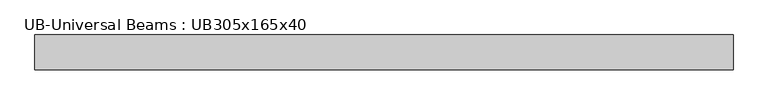
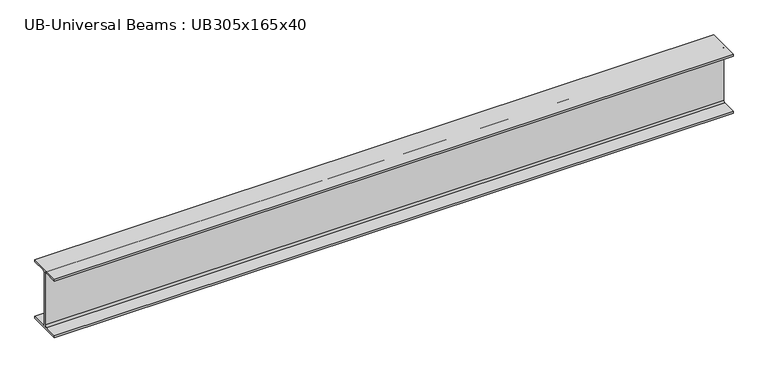
"""IFC4 building model written with IfcOpenShell, lengths in millimetres: beam geometry, UB-Universal Beams : UB305x165x40."""

from ifc_helpers import new_model, si_unit, point, frame, frame_2d, origin, place, context, project, spatial, polyline, circle_curve, trimmed, segment, composite_curve, outline, extrude, source, transform, mapped, element, save


def ub_universal_beams_ub305x165x40_9a44f3a3(model_context):
    return source(origin(), model_context, "Body", "SweptSolid", [
        extrude(outline(composite_curve([segment(polyline([(82.5, -141.5), (82.5, -151.7), (-82.5, -151.7), (-82.5, -141.5), (-11.9, -141.5)]), True, "CONTINUOUS"), segment(trimmed(circle_curve(frame_2d((-11.9, -132.6)), 8.9), [point((-11.9, -141.5))], [point((-3.0, -132.6))], True, "CARTESIAN"), True, "CONTINUOUS"), segment(polyline([(-3.0, -132.6), (-3.0, 132.6)]), True, "CONTINUOUS"), segment(trimmed(circle_curve(frame_2d((-11.9, 132.6)), 8.9), [point((-3.0, 132.6))], [point((-11.9, 141.5))], True, "CARTESIAN"), True, "CONTINUOUS"), segment(polyline([(-11.9, 141.5), (-82.5, 141.5), (-82.5, 151.7), (82.5, 151.7), (82.5, 141.5), (11.9, 141.5)]), True, "CONTINUOUS"), segment(trimmed(circle_curve(frame_2d((11.9, 132.6)), 8.9), [point((11.9, 141.5))], [point((3.0, 132.6))], True, "CARTESIAN"), True, "CONTINUOUS"), segment(polyline([(3.0, 132.6), (3.0, -132.6)]), True, "CONTINUOUS"), segment(trimmed(circle_curve(frame_2d((11.9, -132.6)), 8.9), [point((3.0, -132.6))], [point((11.9, -141.5))], True, "CARTESIAN"), True, "CONTINUOUS"), segment(polyline([(11.9, -141.5), (82.5, -141.5)]), True, "CONTINUOUS")], self_intersect=False)), frame((-1657.5, 0.0, 0.0), z_axis=(1.0, 0.0, 0.0), x_axis=(0.0, 1.0, 0.0)), (0.0, 0.0, 1.0), 3315.0),
    ])


if __name__ == "__main__":
    model = new_model("IFC4")
    model_context = context("Model", 3, world=origin())
    ifc_project = project(units=[si_unit("LENGTHUNIT", "METRE", prefix="MILLI")], contexts=[model_context])
    site = spatial("IfcSite", under=ifc_project)
    building = spatial("IfcBuilding", under=site)
    placement = place(None, origin())
    ub_universal_beams_ub305x165x40_shape = ub_universal_beams_ub305x165x40_9a44f3a3(model_context)
    element("IfcBeam", 1, ObjectType="UB-Universal Beams : UB305x165x40", at=placement, inside=building, context=model_context, shape_type="MappedRepresentation", body=[
        mapped(ub_universal_beams_ub305x165x40_shape, transform((0.0, 0.0, 0.0), x_axis=(1.0, 0.0, 0.0), y_axis=(0.0, 1.0, 0.0), z_axis=(0.0, 0.0, 1.0))),
    ])
    save(model, "model.ifc")
